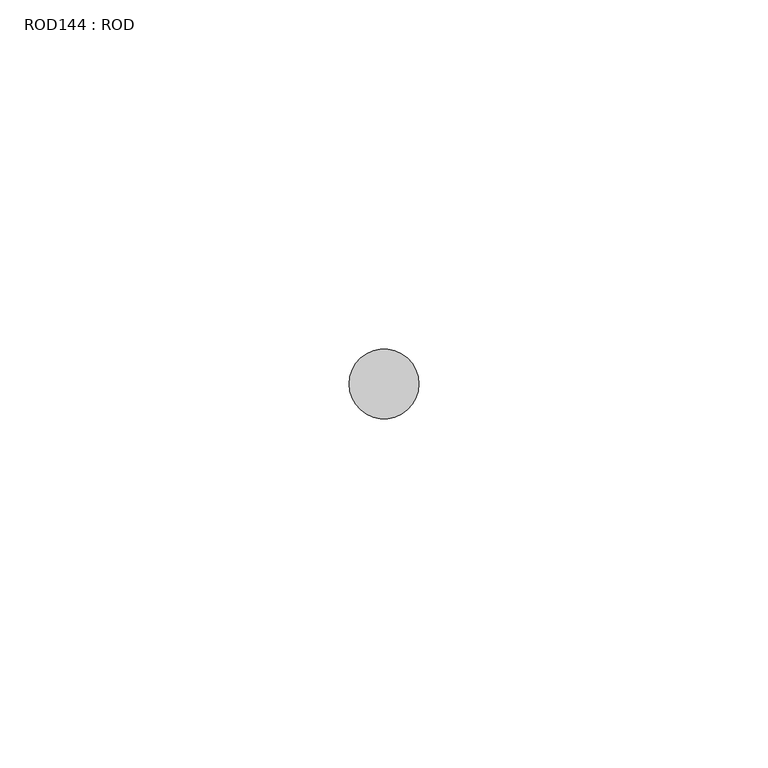
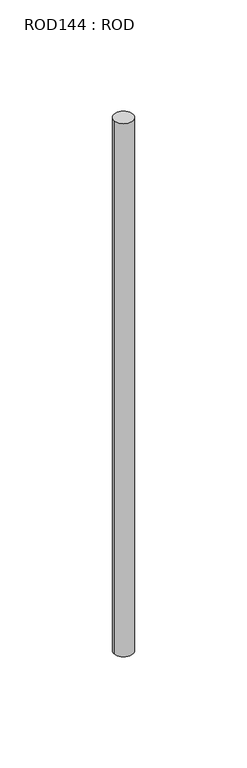
"""IFC4 building model written with IfcOpenShell, lengths in millimetres: proxy geometry, ROD144 : ROD."""

from ifc_helpers import new_model, si_unit, point, frame, frame_2d, origin, place, context, project, spatial, circle_curve, trimmed, segment, composite_curve, outline, extrude, source, transform, mapped, element, save


def rod144_rod_0bdc0811(model_context):
    return source(origin(), model_context, "Body", "SweptSolid", [
        extrude(outline(composite_curve([segment(trimmed(circle_curve(frame_2d((-1140.2326676, -23605.8050304)), 5.0), [point((-1145.2326676, -23605.8050304))], [point((-1135.2326676, -23605.8050304))], False, "CARTESIAN"), True, "CONTINUOUS"), segment(trimmed(circle_curve(frame_2d((-1140.2326676, -23605.8050304)), 5.0), [point((-1135.2326676, -23605.8050304))], [point((-1145.2326676, -23605.8050304))], False, "CARTESIAN"), True, "CONTINUOUS")], self_intersect=False)), frame((0.0, 0.0, 166.3391155), z_axis=(0.0, 0.0, 1.0), x_axis=(1.0, 0.0, 0.0)), (0.0, 0.0, 1.0), 298.9028972),
    ])


if __name__ == "__main__":
    model = new_model("IFC4")
    model_context = context("Model", 3, world=origin())
    ifc_project = project(units=[si_unit("LENGTHUNIT", "METRE", prefix="MILLI")], contexts=[model_context])
    site = spatial("IfcSite", under=ifc_project)
    building = spatial("IfcBuilding", under=site)
    placement = place(None, origin())
    rod144_rod_shape = rod144_rod_0bdc0811(model_context)
    element("IfcBuildingElementProxy", 1, Name="ROD144 : ROD", ObjectType="ROD144 : ROD", at=placement, inside=building, context=model_context, shape_type="MappedRepresentation", body=[
        mapped(rod144_rod_shape, transform((0.0, 0.0, 0.0), x_axis=(1.0, 0.0, 0.0), y_axis=(0.0, 1.0, 0.0), z_axis=(0.0, 0.0, 1.0))),
    ])
    save(model, "model.ifc")
